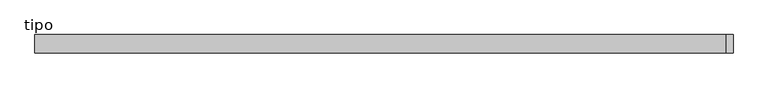
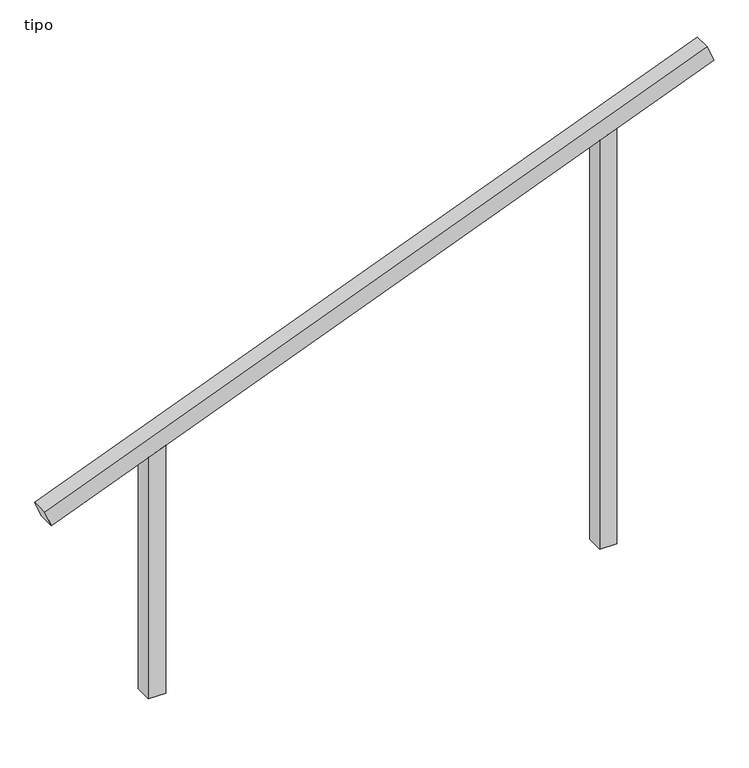
"""IFC4 building model written with IfcOpenShell, lengths in millimetres: proxy geometry, tipo."""

from ifc_helpers import new_model, si_unit, frame, origin, place, context, project, spatial, polyline, outline, extrude, source, transform, mapped, element, save


def tipo_78c6672e(model_context):
    return source(origin(), model_context, "Body", "SweptSolid", [
        extrude(outline(polyline([(0.0, -4100.0), (0.0, 0.0), (100.0, 0.0), (100.0, -4100.0), (0.0, -4100.0)])), frame((-1908.2423, -100.0, 1250.9263558), z_axis=(-0.36540177766135684, 0.0, 0.9308499024450293), x_axis=(0.0, 1.0, 0.0)), (0.0, 0.0, 1.0), 100.0),
        extrude(outline(polyline([(2529.9376393, 1350.0), (2490.6829994, 1250.0), (0.0, 1250.0), (0.0, 1350.0), (2529.9376393, 1350.0)])), frame((0.0, -100.0, 0.0), z_axis=(0.0, 1.0, 0.0), x_axis=(0.0, 0.0, 1.0)), (0.0, 0.0, 1.0), 100.0),
        extrude(outline(polyline([(1470.0623607, -1350.0), (0.0, -1350.0), (0.0, -1250.0), (1509.3170006, -1250.0), (1470.0623607, -1350.0)])), frame((0.0, -100.0, 0.0), z_axis=(0.0, 1.0, 0.0), x_axis=(0.0, 0.0, 1.0)), (0.0, 0.0, 1.0), 100.0),
    ])


if __name__ == "__main__":
    model = new_model("IFC4")
    model_context = context("Model", 3, world=origin())
    ifc_project = project(units=[si_unit("LENGTHUNIT", "METRE", prefix="MILLI")], contexts=[model_context])
    site = spatial("IfcSite", under=ifc_project)
    building = spatial("IfcBuilding", under=site)
    placement = place(None, origin())
    tipo_shape = tipo_78c6672e(model_context)
    element("IfcBuildingElementProxy", 1, Name="tipo", ObjectType="tipo", at=placement, inside=building, context=model_context, shape_type="MappedRepresentation", body=[
        mapped(tipo_shape, transform((0.0, 0.0, 0.0), x_axis=(1.0, 0.0, 0.0), y_axis=(0.0, 1.0, 0.0), z_axis=(0.0, 0.0, 1.0))),
    ])
    save(model, "model.ifc")
